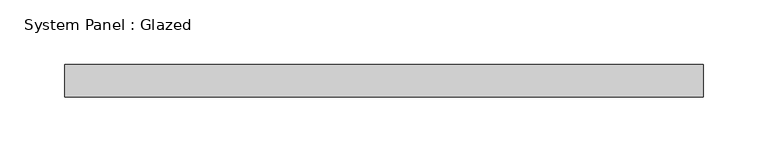
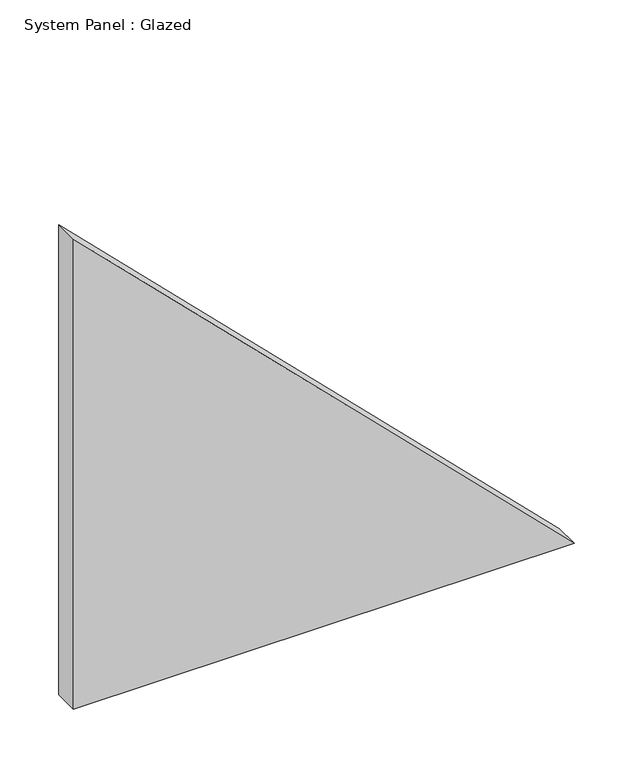
"""IFC4 building model written with IfcOpenShell, lengths in millimetres: plate geometry, System Panel : Glazed."""

from ifc_helpers import new_model, si_unit, frame, origin, place, context, project, spatial, polyline, outline, extrude, source, transform, mapped, element, save


def system_panel_glazed_15977e1a(model_context):
    return source(origin(), model_context, "Body", "SweptSolid", [
        extrude(outline(polyline([(0.0, -246.103661), (0.0, 246.103661), (488.6348504, -246.103661), (0.0, -246.103661)])), frame((0.0, 24.5, 0.0), z_axis=(0.0, 1.0, 0.0), x_axis=(0.0, 0.0, 1.0)), (0.0, 0.0, 1.0), 25.0),
    ])


if __name__ == "__main__":
    model = new_model("IFC4")
    model_context = context("Model", 3, world=origin())
    ifc_project = project(units=[si_unit("LENGTHUNIT", "METRE", prefix="MILLI")], contexts=[model_context])
    site = spatial("IfcSite", under=ifc_project)
    building = spatial("IfcBuilding", under=site)
    placement = place(None, origin())
    system_panel_glazed_shape = system_panel_glazed_15977e1a(model_context)
    element("IfcPlate", 1, ObjectType="System Panel : Glazed", at=placement, inside=building, context=model_context, shape_type="MappedRepresentation", body=[
        mapped(system_panel_glazed_shape, transform((0.0, 0.0, 0.0), x_axis=(1.0, 0.0, 0.0), y_axis=(0.0, 1.0, 0.0), z_axis=(0.0, 0.0, 1.0))),
    ])
    save(model, "model.ifc")
